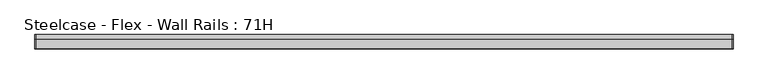
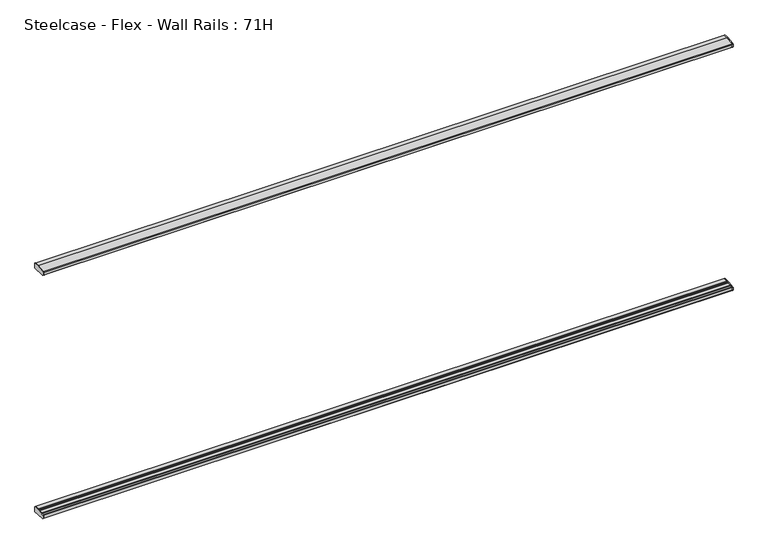
"""IFC4 building model written with IfcOpenShell, lengths in millimetres: furniture geometry, Steelcase - Flex - Wall Rails : 71H."""

import ifcopenshell
import ifcopenshell.guid

model = None  # the IFC model being written
_history = None  # IfcOwnerHistory: only IFC2X3 demands one
_inside = {}  # id of a spatial element -> (the spatial element, [elements in it])
_under = {}  # id of a project, library or spatial element -> (it, [spatial elements below it])
_declared = {}  # id of a project -> (the project, [libraries it declares])
_typed = {}  # id of a type object -> (the type object, [elements of that type])
_made_of = {}  # id of a material, layer set ... -> (it, [elements and type objects made of it])


def new_model(schema):
    """Start an empty IFC model of exactly this schema.

    Asked for "IFC4X3", IfcOpenShell would pick the latest addendum, in which some entities
    have other attributes; the version numbers below select the first issue.
    IFC2X3 requires an IfcOwnerHistory on every rooted entity: one is made here for all.
    """
    global model, _history
    if schema == "IFC4X3":
        model = ifcopenshell.file(schema_version=(4, 3, 0, 0))
    else:
        model = ifcopenshell.file(schema=schema)
    _inside.clear()
    _under.clear()
    _declared.clear()
    _typed.clear()
    _made_of.clear()
    _history = None
    if model.schema == "IFC2X3":
        org = make("IfcOrganization", Name="unknown")
        user = make(
            "IfcPersonAndOrganization",
            ThePerson=make("IfcPerson", FamilyName="unknown"),
            TheOrganization=org,
        )
        app = make(
            "IfcApplication",
            ApplicationDeveloper=org,
            Version="unknown",
            ApplicationFullName="unknown",
            ApplicationIdentifier="unknown",
        )
        _history = make(
            "IfcOwnerHistory",
            OwningUser=user,
            OwningApplication=app,
            ChangeAction="ADDED",
            CreationDate=0,
        )
    return model


def make(cls, **values):
    """One entity of the class cls with the attributes given. An attribute that is None is left unset."""
    return model.create_entity(
        cls, **{name: value for name, value in values.items() if value is not None}
    )


def rooted(cls, **values):
    """An entity with a GlobalId (a new one), such as an element, a storey or a relation."""
    return make(cls, GlobalId=ifcopenshell.guid.new(), OwnerHistory=_history, **values)


def si_unit(unit_type, name, prefix=None):
    """IfcSIUnit, for example si_unit("LENGTHUNIT", "METRE", prefix="MILLI")."""
    return make("IfcSIUnit", UnitType=unit_type, Prefix=prefix, Name=name)


def assignment(units):
    """IfcUnitAssignment: the units of a project."""
    return None if units is None else make("IfcUnitAssignment", Units=units)


def point(xyz):
    """IfcCartesianPoint."""
    return None if xyz is None else make("IfcCartesianPoint", Coordinates=xyz)


def direction(xyz):
    """IfcDirection."""
    return None if xyz is None else make("IfcDirection", DirectionRatios=xyz)


def frame(location, z_axis=None, x_axis=None):
    """IfcAxis2Placement3D, a coordinate frame: its origin and axes. An axis left out is left unset."""
    return make(
        "IfcAxis2Placement3D",
        Location=point(location),
        Axis=direction(z_axis),
        RefDirection=direction(x_axis),
    )


def origin():
    """The frame at (0, 0, 0) with its axes left unset."""
    return frame((0.0, 0.0, 0.0))


def place(relative_to, where):
    """IfcLocalPlacement: puts the frame where relative to a parent placement (None: the world)."""
    return make(
        "IfcLocalPlacement", PlacementRelTo=relative_to, RelativePlacement=where
    )


def context(
    kind, dimensions, precision=None, world=None, true_north=None, identifier=None
):
    """IfcGeometricRepresentationContext, for example the 3D "Model" context."""
    return make(
        "IfcGeometricRepresentationContext",
        ContextIdentifier=identifier,
        ContextType=kind,
        CoordinateSpaceDimension=dimensions,
        Precision=precision,
        WorldCoordinateSystem=world,
        TrueNorth=true_north,
    )


def project(units=None, contexts=None):
    """IfcProject with its units and contexts."""
    return rooted(
        "IfcProject",
        Name="project",
        RepresentationContexts=contexts,
        UnitsInContext=assignment(units),
    )


def spatial(cls, under=None, at=None, **own):
    """A site, building, storey or space (cls), placed at a placement, below another one or the project."""
    s = rooted(cls, ObjectPlacement=at, **own)
    if under is not None:
        _under.setdefault(under.id(), (under, []))[1].append(s)
    return s


def polyline(points):
    """IfcPolyline through the points."""
    return make("IfcPolyline", Points=[point(p) for p in points])


def outline(outer, holes=None, kind="AREA"):
    """IfcArbitraryClosedProfileDef: a profile drawn as a closed curve; with holes, ...WithVoids."""
    if holes is None:
        return make("IfcArbitraryClosedProfileDef", ProfileType=kind, OuterCurve=outer)
    return make(
        "IfcArbitraryProfileDefWithVoids",
        ProfileType=kind,
        OuterCurve=outer,
        InnerCurves=holes,
    )


def extrude(swept, where, along, depth):
    """IfcExtrudedAreaSolid: the profile swept, set in the frame where, extruded along a direction by depth."""
    return make(
        "IfcExtrudedAreaSolid",
        SweptArea=swept,
        Position=where,
        ExtrudedDirection=direction(along),
        Depth=depth,
    )


def shape(context_of_items, identifier, shape_type, items):
    """IfcShapeRepresentation: the items that make up one representation, for example the "Body"."""
    return make(
        "IfcShapeRepresentation",
        ContextOfItems=context_of_items,
        RepresentationIdentifier=identifier,
        RepresentationType=shape_type,
        Items=items,
    )


def source(mapping_origin, context_of_items, identifier, shape_type, items):
    """IfcRepresentationMap: a shape defined once, which mapped items show again and again."""
    return make(
        "IfcRepresentationMap",
        MappingOrigin=mapping_origin,
        MappedRepresentation=shape(context_of_items, identifier, shape_type, items),
    )


def transform(
    local_origin,
    x_axis=None,
    y_axis=None,
    z_axis=None,
    scale=None,
    scale2=None,
    scale3=None,
    uniform=True,
):
    """IfcCartesianTransformationOperator3D, or its non-uniform kind. x_axis, y_axis, z_axis: its Axis1, 2, 3."""
    if uniform:
        return make(
            "IfcCartesianTransformationOperator3D",
            Axis1=direction(x_axis),
            Axis2=direction(y_axis),
            LocalOrigin=point(local_origin),
            Scale=scale,
            Axis3=direction(z_axis),
        )
    return make(
        "IfcCartesianTransformationOperator3DnonUniform",
        Axis1=direction(x_axis),
        Axis2=direction(y_axis),
        LocalOrigin=point(local_origin),
        Scale=scale,
        Axis3=direction(z_axis),
        Scale2=scale2,
        Scale3=scale3,
    )


def mapped(mapping_source, mapping_target):
    """IfcMappedItem: shows the shape of a source again, moved by a transform."""
    return make(
        "IfcMappedItem", MappingSource=mapping_source, MappingTarget=mapping_target
    )


def made_of(thing, what):
    """Note that an element or type object is made of a material, layer set ...; save() writes the relation."""
    if what is not None:
        _made_of.setdefault(what.id(), (what, []))[1].append(thing)
    return thing


def element(
    cls,
    number,
    at=None,
    inside=None,
    cuts=None,
    type_object=None,
    material=None,
    context=None,
    identifier="Body",
    shape_type=None,
    held_by="IfcProductDefinitionShape",
    body=None,
    shapes=None,
    **own,
):
    """One element of the class cls, such as IfcWall. Its Tag is "e" and its number.

    at: its placement. inside: the storey or other place that contains it. cuts: it is an
    opening in that element (IfcRelVoidsElement). A single representation is given by context,
    identifier, shape_type and body (its items); several are given by shapes. held_by: the class
    of the entity that holds the representations. save() writes the other relations.
    """
    e = rooted(cls, Tag="e%d" % number, ObjectPlacement=at, **own)
    if body is not None:
        shapes = [shape(context, identifier, shape_type, body)]
    if shapes is not None:
        e.Representation = make(held_by, Representations=shapes)
    if inside is not None:
        _inside.setdefault(inside.id(), (inside, []))[1].append(e)
    if cuts is not None:
        rooted(
            "IfcRelVoidsElement", RelatingBuildingElement=cuts, RelatedOpeningElement=e
        )
    if type_object is not None:
        _typed.setdefault(type_object.id(), (type_object, []))[1].append(e)
    return made_of(e, material)


def aggregate(whole, parts):
    """IfcRelAggregates: a whole, such as a stair, and the parts it consists of."""
    return rooted("IfcRelAggregates", RelatingObject=whole, RelatedObjects=parts)


def save(model, path):
    """Write the relations noted so far, then the file.

    IfcRelAggregates (storeys below a building ...), IfcRelContainedInSpatialStructure (elements
    in a storey), IfcRelDefinesByType, IfcRelAssociatesMaterial and IfcRelDeclares: one each for
    every whole, place, type object, material and project.
    """
    for whole, parts in _under.values():
        aggregate(whole, parts)
    for where, things in _inside.values():
        rooted(
            "IfcRelContainedInSpatialStructure",
            RelatedElements=things,
            RelatingStructure=where,
        )
    for kind, things in _typed.values():
        rooted("IfcRelDefinesByType", RelatedObjects=things, RelatingType=kind)
    for what, things in _made_of.values():
        rooted("IfcRelAssociatesMaterial", RelatedObjects=things, RelatingMaterial=what)
    for by, libraries in _declared.values():
        rooted("IfcRelDeclares", RelatingContext=by, RelatedDefinitions=libraries)
    model.write(path)


def steelcase_flex_wall_rails_71h_6e80b7d3(model_context):
    return source(origin(), model_context, "Body", "SweptSolid", [
        extrude(outline(polyline([(-29.748384, 494.399958), (-2.0015978, 494.399958), (0.0, 492.39833), (0.0, 457.2), (-31.7483991, 457.2), (-95.5653908, 462.6914284), (-99.9999601, 467.5239814), (-99.9999601, 486.7480995), (-98.0172056, 488.9021347), (-73.1435844, 490.9657693), (-50.3978144, 493.0470375), (-29.748384, 494.399958)])), frame((4875.3762174, 0.0, 0.0), z_axis=(1.0, 0.0, 0.0), x_axis=(0.0, 1.0, 0.0)), (0.0, 0.0, 1.0), 4.9857422),
        extrude(outline(polyline([(-29.748384, 2278.9875964), (-50.3978144, 2280.3405169), (-73.1435844, 2282.4217851), (-98.0172056, 2284.4854198), (-99.9999601, 2286.639455), (-99.9999601, 2305.8635731), (-95.5653908, 2310.6961261), (-31.7483991, 2316.1875545), (0.0, 2316.1875545), (0.0, 2280.9892245), (-2.0015978, 2278.9875964), (-29.748384, 2278.9875964)])), frame((4875.3762174, 0.0, 0.0), z_axis=(1.0, 0.0, 0.0), x_axis=(0.0, 1.0, 0.0)), (0.0, 0.0, 1.0), 4.9857422),
        extrude(outline(polyline([(-29.748384, 494.399958), (-2.0015978, 494.399958), (0.0, 492.39833), (0.0, 457.2), (-31.7483991, 457.2), (-95.5653908, 462.6914284), (-99.9999601, 467.5239814), (-99.9999601, 486.7480995), (-98.0172056, 488.9021347), (-73.1435844, 490.9657693), (-50.3978144, 493.0470375), (-29.748384, 494.399958)])), frame((0.0, 0.0, 0.0), z_axis=(1.0, 0.0, 0.0), x_axis=(0.0, 1.0, 0.0)), (0.0, 0.0, 1.0), 4.9857422),
        extrude(outline(polyline([(-29.748384, 2278.9875964), (-50.3978144, 2280.3405169), (-73.1435844, 2282.4217851), (-98.0172056, 2284.4854198), (-99.9999601, 2286.639455), (-99.9999601, 2305.8635731), (-95.5653908, 2310.6961261), (-31.7483991, 2316.1875545), (0.0, 2316.1875545), (0.0, 2280.9892245), (-2.0015978, 2278.9875964), (-29.748384, 2278.9875964)])), frame((0.0, 0.0, 0.0), z_axis=(1.0, 0.0, 0.0), x_axis=(0.0, 1.0, 0.0)), (0.0, 0.0, 1.0), 4.9857422),
        extrude(outline(polyline([(0.0, 492.39833), (0.0, 457.2), (-31.7483991, 457.2), (-95.5653908, 462.6914284), (-99.9999606, 467.5239822), (-99.9999598, 486.7480995), (-98.0172056, 488.9021347), (-93.9826847, 489.2368579), (-91.9999743, 487.4118187), (-91.9999735, 484.9937772), (-75.1383227, 484.9937772), (-75.1383233, 488.7986526), (-73.1435844, 490.9657693), (-50.3978144, 493.0470375), (-48.4030258, 491.016882), (-48.4030258, 484.9937772), (-31.7499758, 484.9937772), (-31.7499758, 492.398336), (-29.748384, 494.399958), (-2.0015978, 494.399958), (0.0, 492.39833)])), frame((4.9857422, 0.0, 0.0), z_axis=(1.0, 0.0, 0.0), x_axis=(0.0, 1.0, 0.0)), (0.0, 0.0, 1.0), 4870.3904752),
        extrude(outline(polyline([(0.0, 2280.9892245), (-2.0015978, 2278.9875964), (-29.748384, 2278.9875964), (-31.7499758, 2280.9892185), (-31.7499758, 2288.3937772), (-48.4030258, 2288.3937772), (-48.4030258, 2282.3706725), (-50.3978144, 2280.3405169), (-73.1435844, 2282.4217851), (-75.1383233, 2284.5889019), (-75.1383227, 2288.3937772), (-91.9999735, 2288.3937772), (-91.9999743, 2285.9757358), (-93.9826847, 2284.1506966), (-98.0172056, 2284.4854198), (-99.9999601, 2286.6394553), (-99.9999601, 2305.8635728), (-95.5653908, 2310.6961261), (-31.7483991, 2316.1875545), (0.0, 2316.1875545), (0.0, 2280.9892245)])), frame((4.9857422, 0.0, 0.0), z_axis=(1.0, 0.0, 0.0), x_axis=(0.0, 1.0, 0.0)), (0.0, 0.0, 1.0), 4870.3904752),
    ])


if __name__ == "__main__":
    model = new_model("IFC4")
    model_context = context("Model", 3, world=origin())
    ifc_project = project(units=[si_unit("LENGTHUNIT", "METRE", prefix="MILLI")], contexts=[model_context])
    site = spatial("IfcSite", under=ifc_project)
    building = spatial("IfcBuilding", under=site)
    placement = place(None, origin())
    steelcase_flex_wall_rails_71h_shape = steelcase_flex_wall_rails_71h_6e80b7d3(model_context)
    element("IfcFurniture", 1, ObjectType="Steelcase - Flex - Wall Rails : 71H", at=placement, inside=building, context=model_context, shape_type="MappedRepresentation", body=[
        mapped(steelcase_flex_wall_rails_71h_shape, transform((0.0, 0.0, 0.0), x_axis=(1.0, 0.0, 0.0), y_axis=(0.0, 1.0, 0.0), z_axis=(0.0, 0.0, 1.0))),
    ])
    save(model, "model.ifc")
